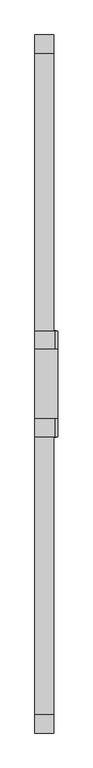
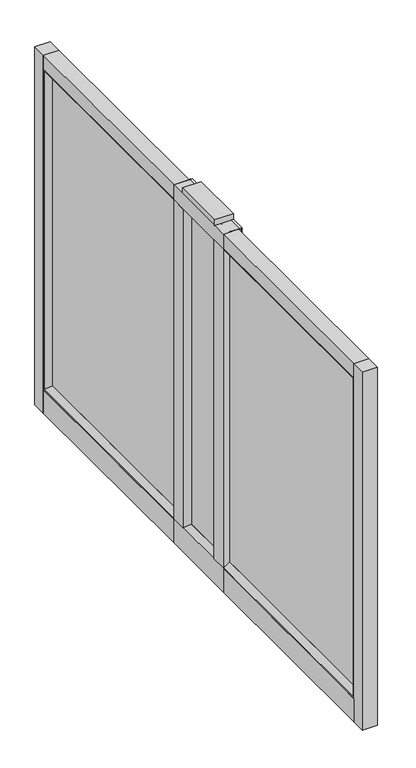
"""IFC4 building model written with IfcOpenShell, lengths in millimetres: furniture geometry."""

from ifc_helpers import new_model, si_unit, frame, origin, place, context, project, spatial, polyline, circle_curve, outline, extrude, faceted_brep, source, transform, mapped, element, save
from ifc_brep_helpers import plane_surface, cylinder_surface, advanced_brep


def furniture_070a127a(model_context):
    return source(origin(), model_context, "Body", "SolidModel", [
        extrude(outline(polyline([(191.5692127, -1985.1264948), (142.8289496, -1985.1264948), (142.8289496, -1933.8436217), (163.4664253, -1921.1690138), (169.8164374, -1921.1690138), (191.5692127, -1933.8479154), (191.5692127, -1985.1264948)])), frame((0.0, 0.0, 92.4559993), z_axis=(0.0, 0.0, 1.0), x_axis=(1.0, 0.0, 0.0)), (0.0, 0.0, 1.0), 1085.0879677),
        extrude(outline(polyline([(191.5692127, -1708.9015009), (191.5692127, -1759.9806149), (169.8164374, -1772.6552046), (163.4664253, -1772.6552046), (142.8289496, -1759.9806149), (142.8289496, -1708.9015009), (191.5692127, -1708.9015009)])), frame((0.0, 0.0, 92.4559993), z_axis=(0.0, 0.0, 1.0), x_axis=(1.0, 0.0, 0.0)), (0.0, 0.0, 1.0), 1085.0879677),
        faceted_brep([(163.4664253, -1708.9015009, 1164.8693773), (142.8289496, -1708.9015009, 1177.5439671), (142.8289496, -1708.9015009, 1228.725), (195.2234706, -1708.9015009, 1228.725), (195.2234706, -1708.9015009, 9.525), (142.8289496, -1708.9015009, 9.525), (142.8289496, -1708.9015009, 92.4559993), (163.4664253, -1708.9015009, 105.1305981), (163.4664253, -1708.9015009, 92.4559993), (169.8164374, -1708.9015009, 92.4559993), (169.8164374, -1708.9015009, 1181.1043361), (163.4664253, -1708.9015009, 1181.1043361), (142.8289496, -1985.1264948, 1177.5439671), (163.4664253, -1985.1264948, 1164.8693773), (163.4664253, -1985.1264948, 1181.1043361), (169.8164374, -1985.1264948, 1181.1043361), (169.8164374, -1985.1264948, 92.4559993), (163.4664253, -1985.1264948, 92.4559993), (163.4664253, -1985.1264948, 105.1305981), (142.8289348, -1985.1264948, 92.4559993), (142.8289496, -1985.1264948, 9.525), (195.2234706, -1985.1264948, 9.525), (195.2234706, -1985.1264948, 1228.725), (142.8289496, -1985.1264948, 1228.725), (195.2234706, -1937.3996062, 1228.725), (190.4609704, -1937.3996062, 1228.725), (190.4609704, -1756.6283895, 1228.725), (195.2234706, -1756.6283895, 1228.725), (163.4664253, -1772.6552046, 1164.8693773), (163.4664253, -1921.1690138, 1164.8693773), (195.2234706, -1937.3996062, 9.525), (195.2234706, -1756.6283895, 9.525), (190.4609704, -1756.6283895, 9.525), (190.4609704, -1937.3996062, 9.525), (190.4609704, -1937.3996062, 92.4559993), (169.8164374, -1937.3996062, 92.4559993), (169.8164374, -1937.3996062, 1181.1043361), (190.4609704, -1937.3996062, 1181.1043361), (190.4609704, -1756.6283895, 1181.1043361), (169.8164374, -1756.6283895, 1181.1043361), (169.8164374, -1756.6283895, 92.4559993), (190.4609704, -1756.6283895, 92.4559993), (163.4664253, -1921.1690138, 105.1305981), (163.4664253, -1772.6552046, 105.1305981)], [[[0, 1, 2, 3, 4, 5, 6, 7, 8, 9, 10, 11]], [[12, 13, 14, 15, 16, 17, 18, 19, 20, 21, 22, 23]], [[2, 23, 22, 24, 25, 26, 27, 3]], [[28, 0, 11, 14, 13, 29]], [[1, 0, 28, 29, 13, 12]], [[23, 2, 1, 12]], [[30, 21, 20, 5, 4, 31, 32, 33]], [[24, 22, 21, 30]], [[24, 30, 33, 34, 35, 36, 37, 25]], [[35, 16, 15, 36]], [[31, 27, 26, 38, 39, 40, 41, 32]], [[3, 27, 31, 4]], [[9, 40, 39, 10]], [[33, 32, 41, 34]], [[6, 5, 20, 19]], [[34, 41, 40, 9, 8, 17, 16, 35]], [[26, 25, 37, 38]], [[15, 14, 11, 10, 39, 38, 37, 36]], [[7, 6, 19, 18, 42, 43]], [[8, 7, 43, 42, 18, 17]]]),
        faceted_brep([(163.4664253, -1772.6552046, 105.1305981), (163.4664253, -1772.6552046, 1164.8693773), (169.8164374, -1772.6552046, 1164.8693773), (169.8164374, -1772.6552046, 105.1305981), (163.4664253, -1921.1690138, 105.1305981), (169.8164374, -1921.1690138, 105.1305981), (169.8164374, -1921.1690138, 1164.8693773), (163.4664253, -1921.1690138, 1164.8693773)], [[[0, 1, 2, 3]], [[4, 5, 6, 7]], [[1, 0, 4, 7]], [[2, 1, 7, 6]], [[3, 2, 6, 5]], [[0, 3, 5, 4]]]),
        extrude(outline(polyline([(142.8289496, -2713.8758515), (142.8289496, -1985.1264948), (191.5692127, -1985.1264948), (191.5692127, -2713.8758515), (142.8289496, -2713.8758515)])), frame((0.0, 0.0, 9.525), z_axis=(0.0, 0.0, 1.0), x_axis=(1.0, 0.0, 0.0)), (0.0, 0.0, 1.0), 79.3750027),
        extrude(outline(polyline([(163.4664253, -2697.809572), (163.4664253, -1985.1264948), (169.8164374, -1985.1264948), (169.8164374, -2697.809572), (163.4664253, -2697.809572)])), frame((0.0, 0.0, 105.1305981), z_axis=(0.0, 0.0, 1.0), x_axis=(1.0, 0.0, 0.0)), (0.0, 0.0, 1.0), 1059.7387792),
        extrude(outline(polyline([(142.8289496, -2761.5008515), (142.8289496, -2713.8758515), (191.5692127, -2713.8758515), (191.5692127, -2761.5008515), (142.8289496, -2761.5008515)])), frame((0.0, 0.0, 9.525), z_axis=(0.0, 0.0, 1.0), x_axis=(1.0, 0.0, 0.0)), (0.0, 0.0, 1.0), 1219.2),
        extrude(outline(polyline([(142.8289496, -980.3258515), (142.8289496, -932.7008515), (191.5692127, -932.7008515), (191.5692127, -980.3258515), (142.8289496, -980.3258515)])), frame((0.0, 0.0, 9.525), z_axis=(0.0, 0.0, 1.0), x_axis=(1.0, 0.0, 0.0)), (0.0, 0.0, 1.0), 1219.2),
        extrude(outline(polyline([(142.8289496, -1708.9015009), (142.8289496, -980.3258515), (191.5692127, -980.3258515), (191.5692127, -1708.9015009), (142.8289496, -1708.9015009)])), frame((0.0, 0.0, 9.525), z_axis=(0.0, 0.0, 1.0), x_axis=(1.0, 0.0, 0.0)), (0.0, 0.0, 1.0), 79.3750027),
        extrude(outline(polyline([(142.8289496, -1708.9015009), (142.8289496, -980.3258515), (191.5692127, -980.3258515), (191.5692127, -1708.9015009), (142.8289496, -1708.9015009)])), frame((0.0, 0.0, 1181.0999727), z_axis=(0.0, 0.0, 1.0), x_axis=(1.0, 0.0, 0.0)), (0.0, 0.0, 1.0), 47.6250273),
        extrude(outline(polyline([(142.8289496, -2713.8758515), (142.8289496, -1985.1264948), (191.5692127, -1985.1264948), (191.5692127, -2713.8758515), (142.8289496, -2713.8758515)])), frame((0.0, 0.0, 1181.0999727), z_axis=(0.0, 0.0, 1.0), x_axis=(1.0, 0.0, 0.0)), (0.0, 0.0, 1.0), 47.6250273),
        extrude(outline(polyline([(163.4664253, -1708.9015009), (163.4664253, -996.392131), (169.8164374, -996.392131), (169.8164374, -1708.9015009), (163.4664253, -1708.9015009)])), frame((0.0, 0.0, 105.1305981), z_axis=(0.0, 0.0, 1.0), x_axis=(1.0, 0.0, 0.0)), (0.0, 0.0, 1.0), 1059.7387792),
        faceted_brep([(142.8289496, -1985.1264948, 92.4560084), (163.4664253, -1985.1264948, 105.1305981), (169.8164374, -1985.1264948, 105.1305981), (190.4609704, -1985.1264948, 92.4516966), (190.4609704, -1985.1264948, 88.9000027), (142.8289496, -1985.1264948, 88.9000027), (142.8289496, -2710.4841618, 92.4560084), (163.4664253, -2697.809572, 105.1305981), (169.8164374, -2697.809572, 105.1305981), (190.4609704, -2710.4884736, 92.4516966), (190.4609704, -2710.4884736, 1177.5482789), (190.4609704, -1985.1264948, 1177.5482789), (190.4609704, -1985.1264948, 1181.0999727), (190.4609704, -2714.0401675, 1181.0999727), (190.4609704, -2714.0401675, 88.9000027), (142.8289496, -2714.0401675, 88.9000027), (142.8289496, -2714.0401675, 1181.0999727), (142.8289496, -1985.1264948, 1181.0999727), (142.8289496, -1985.1264948, 1177.5439671), (142.8289496, -2710.4841618, 1177.5439671), (163.4664253, -2697.809572, 1164.8693773), (169.8164374, -2697.809572, 1164.8693773), (169.8164374, -1985.1264948, 1164.8693773), (163.4664253, -1985.1264948, 1164.8693773)], [[[0, 1, 2, 3, 4, 5]], [[1, 0, 6, 7]], [[2, 1, 7, 8]], [[3, 2, 8, 9]], [[4, 3, 9, 10, 11, 12, 13, 14]], [[5, 4, 14, 15]], [[0, 5, 15, 16, 17, 18, 19, 6]], [[7, 6, 19, 20]], [[8, 7, 20, 21]], [[9, 8, 21, 10]], [[15, 14, 13, 16]], [[18, 17, 12, 11, 22, 23]], [[20, 19, 18, 23]], [[21, 20, 23, 22]], [[10, 21, 22, 11]], [[16, 13, 12, 17]]]),
        faceted_brep([(142.8289496, -1708.9015009, 1181.0999727), (142.8289496, -1708.9015009, 1177.5439671), (163.4664253, -1708.9015009, 1164.8693773), (169.8164374, -1708.9015009, 1164.8693773), (190.4609704, -1708.9015009, 1177.5482789), (190.4609704, -1708.9015009, 1181.0999727), (142.8289496, -980.1615356, 1181.0999727), (142.8289496, -980.1615356, 88.9000027), (142.8289496, -1708.9015009, 88.9000027), (142.8289496, -1708.9015009, 92.4560084), (142.8289496, -983.7175413, 92.4560084), (142.8289496, -983.7175413, 1177.5439671), (163.4664253, -996.392131, 1164.8693773), (169.8164374, -996.392131, 1164.8693773), (190.4609704, -983.7132294, 1177.5482789), (190.4609704, -983.7132294, 92.4516966), (190.4609704, -1708.9015009, 92.4516966), (190.4609704, -1708.9015009, 88.9000027), (190.4609704, -980.1615356, 88.9000027), (190.4609704, -980.1615356, 1181.0999727), (163.4664253, -996.392131, 105.1305981), (169.8164374, -996.392131, 105.1305981), (169.8164374, -1708.9015009, 105.1305981), (163.4664253, -1708.9015009, 105.1305981)], [[[0, 1, 2, 3, 4, 5]], [[1, 0, 6, 7, 8, 9, 10, 11]], [[2, 1, 11, 12]], [[3, 2, 12, 13]], [[4, 3, 13, 14]], [[5, 4, 14, 15, 16, 17, 18, 19]], [[0, 5, 19, 6]], [[12, 11, 10, 20]], [[13, 12, 20, 21]], [[14, 13, 21, 15]], [[6, 19, 18, 7]], [[8, 17, 16, 22, 23, 9]], [[20, 10, 9, 23]], [[21, 20, 23, 22]], [[15, 21, 22, 16]], [[7, 18, 17, 8]]]),
        advanced_brep(
        [(166.6414314, -2682.1258515, 31.7500003), (166.6414314, -2694.8258515, 31.7500003), (166.6414314, -2688.4758515, 31.7500003), (166.6414314, -2682.1258515, 4.7625), (166.6414314, -2694.8258515, 4.7625), (166.6414314, -2675.7758515, 4.7625), (166.6414314, -2701.1758515, 4.7625), (166.6414314, -2675.7758515, 0.0), (166.6414314, -2701.1758515, 0.0), (166.6414314, -2688.4758515, 0.0)],
        [
            (0, 1, circle_curve(frame((166.6414314, -2688.4758515, 31.7500003), z_axis=(0.0, 0.0, 1.0), x_axis=(0.0, -1.0, 0.0)), 6.35)),
            (1, 2),
            (2, 0),
            (1, 0, circle_curve(frame((166.6414314, -2688.4758515, 31.7500003), z_axis=(0.0, 0.0, 1.0), x_axis=(0.0, -1.0, 0.0)), 6.35)),
            (3, 4, circle_curve(frame((166.6414314, -2688.4758515, 4.7625), z_axis=(0.0, 0.0, 1.0), x_axis=(0.0, -1.0, 0.0)), 6.35)),
            (4, 1),
            (0, 3),
            (4, 3, circle_curve(frame((166.6414314, -2688.4758515, 4.7625), z_axis=(0.0, 0.0, 1.0), x_axis=(0.0, -1.0, 0.0)), 6.35)),
            (5, 6, circle_curve(frame((166.6414314, -2688.4758515, 4.7625), z_axis=(0.0, 0.0, 1.0), x_axis=(0.0, -1.0, 0.0)), 12.7)),
            (6, 4),
            (3, 5),
            (6, 5, circle_curve(frame((166.6414314, -2688.4758515, 4.7625), z_axis=(0.0, 0.0, 1.0), x_axis=(0.0, -1.0, 0.0)), 12.7)),
            (7, 8, circle_curve(frame((166.6414314, -2688.4758515, 0.0), z_axis=(0.0, 0.0, 1.0), x_axis=(0.0, -1.0, 0.0)), 12.7)),
            (8, 6),
            (5, 7),
            (8, 7, circle_curve(frame((166.6414314, -2688.4758515, 0.0), z_axis=(0.0, 0.0, 1.0), x_axis=(0.0, -1.0, 0.0)), 12.7)),
            (9, 8),
            (7, 9),
        ],
        [
            plane_surface(frame((166.6414314, -2688.4758515, 31.7500003), z_axis=(0.0, 0.0, 1.0), x_axis=(0.0, -1.0, 0.0))),
            cylinder_surface(frame((166.6414314, -2688.4758515, 119.5096682), z_axis=(0.0, 0.0, -1.0), x_axis=(0.0, -1.0, 0.0)), 6.35),
            plane_surface(frame((166.6414314, -2688.4758515, 4.7625), z_axis=(0.0, 0.0, 1.0), x_axis=(0.0, -1.0, 0.0))),
            cylinder_surface(frame((166.6414314, -2688.4758515, 119.5096682), z_axis=(0.0, 0.0, -1.0), x_axis=(0.0, -1.0, 0.0)), 12.7),
            plane_surface(frame((166.6414314, -2688.4758515, 0.0), z_axis=(0.0, 0.0, -1.0), x_axis=(0.0, -1.0, 0.0))),
        ],
        [
            (0, [[1, 2, 3]]),
            (0, [[4, -3, -2]]),
            (1, [[5, 6, -1, 7]]),
            (1, [[8, -7, -4, -6]]),
            (2, [[9, 10, -5, 11]]),
            (2, [[12, -11, -8, -10]]),
            (3, [[13, 14, -9, 15]]),
            (3, [[16, -15, -12, -14]]),
            (4, [[17, -13, 18]]),
            (4, [[-18, -16, -17]]),
        ],
    ),
        advanced_brep(
        [(166.6414314, -1005.7258515, 0.0), (166.6414314, -1018.4258515, 0.0), (166.6414314, -993.0258515, 0.0), (166.6414314, -999.3758515, 31.7500003), (166.6414314, -1012.0758515, 31.7500003), (166.6414314, -1005.7258515, 31.7500003), (166.6414314, -999.3758515, 4.7625), (166.6414314, -1012.0758515, 4.7625), (166.6414314, -993.0258515, 4.7625), (166.6414314, -1018.4258515, 4.7625)],
        [
            (0, 1),
            (1, 2, circle_curve(frame((166.6414314, -1005.7258515, 0.0), z_axis=(0.0, 0.0, -1.0), x_axis=(0.0, -1.0, 0.0)), 12.7)),
            (2, 0),
            (2, 1, circle_curve(frame((166.6414314, -1005.7258515, 0.0), z_axis=(0.0, 0.0, -1.0), x_axis=(0.0, -1.0, 0.0)), 12.7)),
            (3, 4, circle_curve(frame((166.6414314, -1005.7258515, 31.7500003), z_axis=(0.0, 0.0, 1.0), x_axis=(0.0, -1.0, 0.0)), 6.35)),
            (4, 5),
            (5, 3),
            (4, 3, circle_curve(frame((166.6414314, -1005.7258515, 31.7500003), z_axis=(0.0, 0.0, 1.0), x_axis=(0.0, -1.0, 0.0)), 6.35)),
            (6, 7, circle_curve(frame((166.6414314, -1005.7258515, 4.7625), z_axis=(0.0, 0.0, 1.0), x_axis=(0.0, -1.0, 0.0)), 6.35)),
            (7, 4),
            (3, 6),
            (7, 6, circle_curve(frame((166.6414314, -1005.7258515, 4.7625), z_axis=(0.0, 0.0, 1.0), x_axis=(0.0, -1.0, 0.0)), 6.35)),
            (8, 9, circle_curve(frame((166.6414314, -1005.7258515, 4.7625), z_axis=(0.0, 0.0, 1.0), x_axis=(0.0, -1.0, 0.0)), 12.7)),
            (9, 7),
            (6, 8),
            (9, 8, circle_curve(frame((166.6414314, -1005.7258515, 4.7625), z_axis=(0.0, 0.0, 1.0), x_axis=(0.0, -1.0, 0.0)), 12.7)),
            (1, 9),
            (8, 2),
        ],
        [
            plane_surface(frame((166.6414314, -1005.7258515, 0.0), z_axis=(0.0, 0.0, -1.0), x_axis=(0.0, -1.0, 0.0))),
            plane_surface(frame((166.6414314, -1005.7258515, 31.7500003), z_axis=(0.0, 0.0, 1.0), x_axis=(0.0, -1.0, 0.0))),
            cylinder_surface(frame((166.6414314, -1005.7258515, 128.4525152), z_axis=(0.0, 0.0, -1.0), x_axis=(0.0, -1.0, 0.0)), 6.35),
            plane_surface(frame((166.6414314, -1005.7258515, 4.7625), z_axis=(0.0, 0.0, 1.0), x_axis=(0.0, -1.0, 0.0))),
            cylinder_surface(frame((166.6414314, -1005.7258515, 128.4525152), z_axis=(0.0, 0.0, -1.0), x_axis=(0.0, -1.0, 0.0)), 12.7),
        ],
        [
            (0, [[1, 2, 3]]),
            (0, [[-3, 4, -1]]),
            (1, [[5, 6, 7]]),
            (1, [[8, -7, -6]]),
            (2, [[9, 10, -5, 11]]),
            (2, [[12, -11, -8, -10]]),
            (3, [[13, 14, -9, 15]]),
            (3, [[16, -15, -12, -14]]),
            (4, [[-2, 17, -13, 18]]),
            (4, [[-4, -18, -16, -17]]),
        ],
    ),
        faceted_brep([(169.8164374, -1921.1690138, 1164.8693773), (190.4609704, -1933.8479154, 1177.5482789), (190.4609704, -1933.8479154, 92.4516966), (169.8164374, -1921.1690138, 105.1305981), (163.4664253, -1921.1690138, 1164.8693773), (163.4664253, -1921.1690138, 105.1305981), (190.4609704, -1985.0246364, 1228.725), (163.4664253, -1985.0246364, 1228.725), (163.4664253, -1985.0246364, 41.2749755), (190.4609704, -1985.0246364, 41.2749755), (190.4609704, -1759.976303, 92.4516966), (169.8164374, -1772.6552046, 105.1305981), (163.4664253, -1772.6552046, 105.1305981), (163.4664253, -1708.7995819, 41.2749755), (190.4609704, -1708.7995819, 41.2749755), (190.4609704, -1759.976303, 1177.5482789), (169.8164374, -1772.6552046, 1164.8693773), (163.4664253, -1772.6552046, 1164.8693773), (163.4664253, -1708.7995819, 1228.725), (190.4609704, -1708.7995819, 1228.725)], [[[0, 1, 2, 3]], [[4, 0, 3, 5]], [[6, 7, 8, 9]], [[3, 2, 10, 11]], [[5, 3, 11, 12]], [[9, 8, 13, 14]], [[11, 10, 15, 16]], [[12, 11, 16, 17]], [[14, 13, 18, 19]], [[9, 14, 19, 6], [1, 15, 10, 2]], [[16, 15, 1, 0]], [[17, 16, 0, 4]], [[7, 18, 13, 8], [5, 12, 17, 4]], [[19, 18, 7, 6]]]),
        extrude(outline(polyline([(203.1609711, -1937.3996062), (203.1609711, -1985.1264948), (195.2234706, -1985.1264948), (195.2234706, -1937.3996062), (203.1609711, -1937.3996062)])), frame((0.0, 0.0, 9.525), z_axis=(0.0, 0.0, 1.0), x_axis=(1.0, 0.0, 0.0)), (0.0, 0.0, 1.0), 1219.2),
        extrude(outline(polyline([(203.1609711, -1756.6283895), (195.2234706, -1756.6283895), (195.2234706, -1708.9015009), (203.1609711, -1708.9015009), (203.1609711, -1756.6283895)])), frame((0.0, 0.0, 9.525), z_axis=(0.0, 0.0, 1.0), x_axis=(1.0, 0.0, 0.0)), (0.0, 0.0, 1.0), 1219.2),
        extrude(outline(polyline([(191.5692127, -1707.3140009), (198.4019216, -1707.3140009), (198.4019216, -1708.9015009), (190.4609704, -1708.9015009), (191.5692127, -1707.3140009)])), frame((0.0, 0.0, 9.525), z_axis=(0.0, 0.0, 1.0), x_axis=(1.0, 0.0, 0.0)), (0.0, 0.0, 1.0), 1219.2),
        extrude(outline(polyline([(198.4019216, -1986.6121062), (191.5692127, -1986.6121062), (190.4609704, -1985.1264948), (198.4019216, -1985.1264948), (198.4019216, -1986.6121062)])), frame((0.0, 0.0, 9.525), z_axis=(0.0, 0.0, 1.0), x_axis=(1.0, 0.0, 0.0)), (0.0, 0.0, 1.0), 1219.2),
        extrude(outline(polyline([(190.4609704, -1937.3996062), (191.5692127, -1935.8121062), (198.4019216, -1935.8121062), (198.4019216, -1937.3996062), (190.4609704, -1937.3996062)])), frame((0.0, 0.0, 9.525), z_axis=(0.0, 0.0, 1.0), x_axis=(1.0, 0.0, 0.0)), (0.0, 0.0, 1.0), 1219.2),
        extrude(outline(polyline([(198.4019216, -1758.1140009), (191.5692127, -1758.1140009), (190.4609704, -1756.6283895), (198.4019216, -1756.6283895), (198.4019216, -1758.1140009)])), frame((0.0, 0.0, 9.525), z_axis=(0.0, 0.0, 1.0), x_axis=(1.0, 0.0, 0.0)), (0.0, 0.0, 1.0), 1219.2),
        extrude(outline(polyline([(142.8289496, -1937.3996062), (142.8289496, -1756.6283895), (203.1609711, -1756.6283895), (203.1609711, -1937.3996062), (142.8289496, -1937.3996062)])), frame((0.0, 0.0, 1228.725), z_axis=(0.0, 0.0, 1.0), x_axis=(1.0, 0.0, 0.0)), (0.0, 0.0, 1.0), 19.05),
        extrude(outline(polyline([(169.8164374, -1756.6283895), (190.4609704, -1756.6283895), (190.4609704, -1937.3996062), (169.8164374, -1937.3996062), (169.8164374, -1756.6283895)])), frame((0.0, 0.0, 1181.1043361), z_axis=(0.0, 0.0, 1.0), x_axis=(1.0, 0.0, 0.0)), (0.0, 0.0, 1.0), 47.6206639),
    ])


if __name__ == "__main__":
    model = new_model("IFC4")
    model_context = context("Model", 3, world=origin())
    ifc_project = project(units=[si_unit("LENGTHUNIT", "METRE", prefix="MILLI")], contexts=[model_context])
    site = spatial("IfcSite", under=ifc_project)
    building = spatial("IfcBuilding", under=site)
    placement = place(None, origin())
    furniture_shape = furniture_070a127a(model_context)
    element("IfcFurniture", 1, at=placement, inside=building, context=model_context, shape_type="MappedRepresentation", body=[
        mapped(furniture_shape, transform((0.0, 0.0, 0.0), x_axis=(1.0, 0.0, 0.0), y_axis=(0.0, 1.0, 0.0), z_axis=(0.0, 0.0, 1.0))),
    ])
    save(model, "model.ifc")
